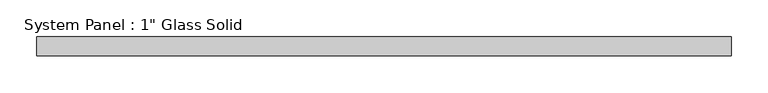
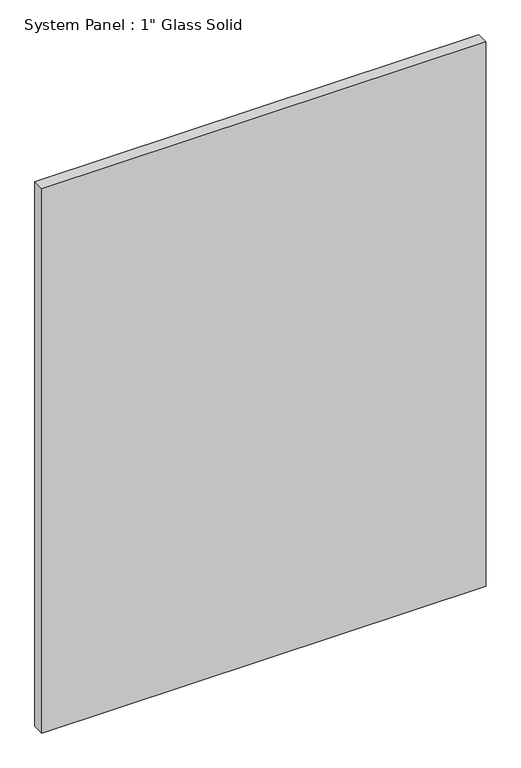
"""IFC4 building model written with IfcOpenShell, lengths in millimetres: plate geometry."""

from ifc_helpers import new_model, si_unit, origin, origin_with_axes, place, context, project, spatial, polyline, outline, extrude, source, transform, mapped, element, save


def plate_13c58f4d(model_context):
    return source(origin(), model_context, "Body", "SweptSolid", [
        extrude(outline(polyline([(469.10625, -12.7), (-469.10625, -12.7), (-469.10625, 12.7), (469.10625, 12.7), (469.10625, -12.7)])), origin_with_axes(), (0.0, 0.0, 1.0), 1216.025),
    ])


if __name__ == "__main__":
    model = new_model("IFC4")
    model_context = context("Model", 3, world=origin())
    ifc_project = project(units=[si_unit("LENGTHUNIT", "METRE", prefix="MILLI")], contexts=[model_context])
    site = spatial("IfcSite", under=ifc_project)
    building = spatial("IfcBuilding", under=site)
    placement = place(None, origin())
    plate_shape = plate_13c58f4d(model_context)
    element("IfcPlate", 1, ObjectType="System Panel : 1\" Glass Solid", at=placement, inside=building, context=model_context, shape_type="MappedRepresentation", body=[
        mapped(plate_shape, transform((0.0, 0.0, 0.0), x_axis=(1.0, 0.0, 0.0), y_axis=(0.0, 1.0, 0.0), z_axis=(0.0, 0.0, 1.0))),
    ])
    save(model, "model.ifc")
